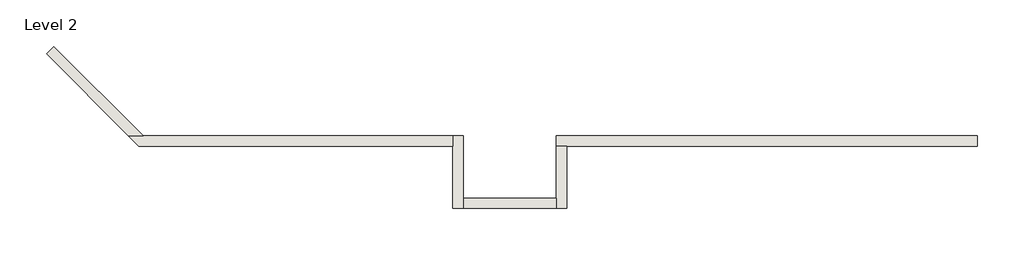
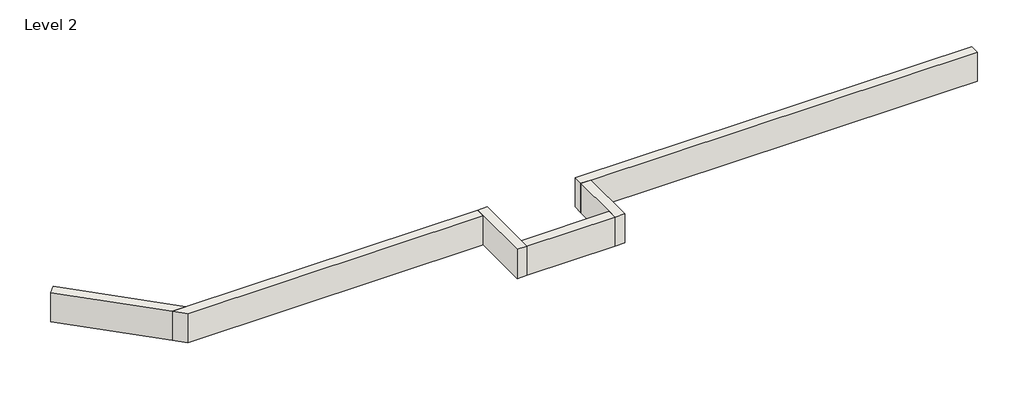
# One storey: 6 walls.
"""IFC4 building model written with IfcOpenShell, lengths in millimetres."""

from ifc_helpers import new_model, si_unit, frame, origin, place, context, project, spatial, polyline, outline, extrude, faceted_brep, element, save

model = new_model("IFC4")

# Units and contexts
model_context = context("Model", 3, world=origin())
ifc_project = project(units=[si_unit("LENGTHUNIT", "METRE", prefix="MILLI")], contexts=[model_context])

# Site, building, storey
site = spatial("IfcSite", under=ifc_project)
building = spatial("IfcBuilding", under=site)
storey = spatial("IfcBuildingStorey", under=building, Name="Level 2", Elevation=3048.0)

# Walls
placement = place(None, origin())
element("IfcWall", 1, ObjectType="Generic - 8\" Brick", at=placement, inside=storey, context=model_context, shape_type="Brep", body=[
    faceted_brep([(9804.329282, 1357.283925, 3048.0), (9194.729282, 1357.283925, 3048.0), (6095.929282, 1357.283925, 3048.0), (5067.4141138, 1357.283925, 3048.0), (1939.882857, 1357.283925, 3048.0), (1939.882857, 1357.283925, 3657.6), (9804.329282, 1357.283925, 3657.6), (9804.329282, 1163.608925, 3048.0), (9804.329282, 1163.608925, 3657.6), (2133.557857, 1163.608925, 3657.6), (1939.882857, 1163.608925, 3657.6), (1939.882857, 1163.608925, 3048.0), (2133.557857, 1163.608925, 3048.0), (5067.4141138, 1163.608925, 3048.0), (6095.929282, 1163.608925, 3048.0), (9194.729282, 1163.608925, 3048.0)], [[[0, 1, 2, 3, 4, 5, 6]], [[7, 8, 9, 10, 11, 12, 13, 14, 15]], [[4, 3, 2, 1, 0, 7, 15, 14, 13, 12, 11]], [[6, 5, 10, 9, 8]], [[0, 6, 8, 7]], [[5, 4, 11, 10]]]),
])
element("IfcWall", 2, ObjectType="Generic - 8\" Brick", at=placement, inside=storey, context=model_context, shape_type="Brep", body=[
    faceted_brep([(1939.882857, 1163.608925, 3048.0), (1939.882857, 193.675, 3048.0), (1939.882857, 0.0, 3048.0), (1939.882857, 0.0, 3657.6), (1939.882857, 193.675, 3657.6), (1939.882857, 1163.608925, 3657.6), (2133.557857, 1163.608925, 3048.0), (2133.557857, 1163.608925, 3657.6), (2133.557857, 0.0, 3657.6), (2133.557857, 0.0, 3048.0)], [[[0, 1, 2, 3, 4, 5]], [[6, 7, 8, 9]], [[2, 1, 0, 6, 9]], [[5, 4, 3, 8, 7]], [[0, 5, 7, 6]], [[3, 2, 9, 8]]]),
])
element("IfcWall", 3, ObjectType="Generic - 8\" Brick", at=placement, inside=storey, context=model_context, shape_type="SweptSolid", body=[
    extrude(outline(polyline([(193.632857, 193.675), (1939.882857, 193.675), (1939.882857, 0.0), (193.632857, 0.0), (193.632857, 193.675)])), frame((0.0, 0.0, 3048.0), z_axis=(0.0, 0.0, 1.0), x_axis=(1.0, 0.0, 0.0)), (0.0, 0.0, 1.0), 609.6),
])
element("IfcWall", 4, ObjectType="Generic - 8\" Brick", at=placement, inside=storey, context=model_context, shape_type="Brep", body=[
    faceted_brep([(193.632857, 0.0, 3048.0), (193.632857, 193.675, 3048.0), (193.632857, 1357.2751938, 3048.0), (193.632857, 1357.2751938, 3657.6), (193.632857, 193.675, 3657.6), (193.632857, 0.0, 3657.6), (-0.042143, 0.0, 3048.0), (-0.042143, 0.0, 3657.6), (-0.042143, 1163.6001938, 3657.6), (-0.042143, 1357.2751938, 3657.6), (-0.042143, 1357.2751938, 3048.0), (-0.042143, 1163.6001938, 3048.0)], [[[0, 1, 2, 3, 4, 5]], [[6, 7, 8, 9, 10, 11]], [[2, 1, 0, 6, 11, 10]], [[5, 4, 3, 9, 8, 7]], [[0, 5, 7, 6]], [[3, 2, 10, 9]]]),
])
element("IfcWall", 5, ObjectType="Generic - 8\" Brick", at=placement, inside=storey, context=model_context, shape_type="Brep", body=[
    faceted_brep([(-0.042143, 1357.2751938, 3048.0), (-5783.3214702, 1357.2751938, 3048.0), (-6057.2192819, 1357.2751938, 3048.0), (-6057.2192819, 1357.2751938, 3657.6), (-5783.3214702, 1357.2751938, 3657.6), (-0.042143, 1357.2751938, 3657.6), (-0.042143, 1163.6001938, 3048.0), (-0.042143, 1163.6001938, 3657.6), (-5863.5442819, 1163.6001938, 3657.6), (-5863.5442819, 1163.6001938, 3048.0)], [[[0, 1, 2, 3, 4, 5]], [[6, 7, 8, 9]], [[2, 1, 0, 6, 9]], [[5, 4, 3, 8, 7]], [[0, 5, 7, 6]], [[3, 2, 9, 8]]]),
])
element("IfcWall", 6, ObjectType="Generic - 8\" Brick", at=placement, inside=storey, context=model_context, shape_type="Brep", body=[
    faceted_brep([(-5783.3214702, 1357.2751938, 3048.0), (-7449.7575708, 3023.7112944, 3048.0), (-7449.7575708, 3023.7112944, 3657.6), (-5783.3214702, 1357.2751938, 3657.6), (-6057.2192819, 1357.2751938, 3048.0), (-6057.2192819, 1357.2751938, 3657.6), (-7586.7064767, 2886.7623886, 3657.6), (-7586.7064767, 2886.7623886, 3048.0), (-7449.9293182, 3023.539547, 3048.0)], [[[0, 1, 2, 3]], [[4, 5, 6, 7]], [[1, 0, 4, 7, 8]], [[2, 1, 8, 7, 6]], [[3, 2, 6, 5]], [[0, 3, 5, 4]]]),
])

save(model, "model.ifc")
